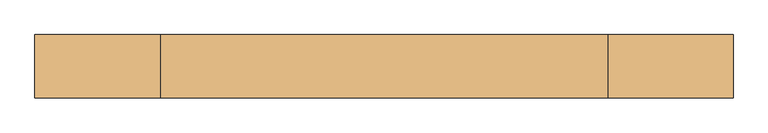
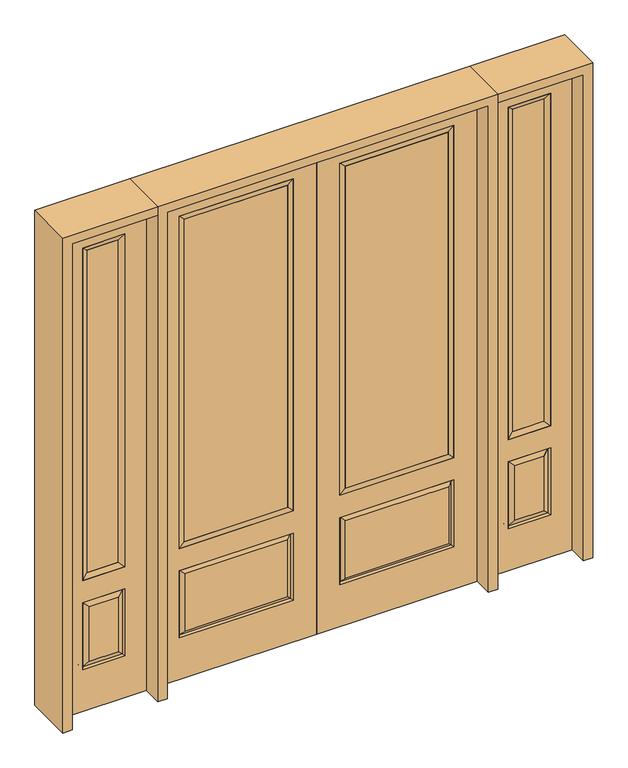
"""IFC4 building model written with IfcOpenShell, lengths in millimetres: door geometry."""

from ifc_helpers import new_model, si_unit, frame, origin, place, context, project, spatial, polyline, outline, extrude, faceted_brep, source, transform, mapped, element, save


def door_ce4f6e89(model_context):
    return source(origin(), model_context, "Body", "SolidModel", [
        extrude(outline(polyline([(136.525, -20.32), (136.525, 5.08), (625.475, 5.08), (625.475, -20.32), (136.525, -20.32)])), frame((0.0, 0.0, 682.498), z_axis=(0.0, 0.0, 1.0), x_axis=(1.0, 0.0, 0.0)), (0.0, 0.0, 1.0), 1616.202),
        faceted_brep([(643.7661499, -12.7912373, 216.6588501), (626.26875, -22.225, 234.15625), (135.73125, -22.225, 234.15625), (118.2338501, -12.7912373, 216.6588501), (111.125, -22.225, 209.55), (650.875, -22.225, 209.55), (650.875, -22.225, 546.1), (643.7661499, -12.7912373, 538.9911499), (0.0, -22.225, 2438.4), (0.0, -22.225, 0.0), (762.0, -22.225, 0.0), (762.0, -22.225, 2438.4), (111.125, -22.225, 546.1), (111.125, -22.225, 2324.1), (650.875, -22.225, 2324.1), (650.875, -22.225, 657.098), (111.125, -22.225, 657.098), (626.26875, -22.225, 521.49375), (135.73125, -22.225, 521.49375), (118.2338501, -12.7912373, 538.9911499), (762.0, 22.225, 0.0), (762.0, 22.225, 2438.4), (0.0, 22.225, 0.0), (0.0, 22.225, 2438.4), (111.125, 22.225, 657.098), (111.125, 22.225, 2324.1), (650.875, 22.225, 657.098), (650.875, 22.225, 2324.1), (135.73125, 22.225, 234.15625), (135.73125, 22.225, 521.49375), (626.26875, 22.225, 521.49375), (626.26875, 22.225, 234.15625), (650.875, 22.225, 209.55), (650.875, 22.225, 546.1), (111.125, 22.225, 546.1), (111.125, 22.225, 209.55), (118.2338501, 12.7912373, 216.6588501), (643.7661499, 12.7912373, 216.6588501), (118.2338501, 12.7912373, 538.9911499), (643.7661499, 12.7912373, 538.9911499)], [[[0, 1, 2, 3]], [[3, 4, 5, 0]], [[5, 6, 7, 0]], [[8, 9, 10, 11], [4, 12, 6, 5], [13, 14, 15, 16]], [[1, 17, 18, 2]], [[3, 19, 12, 4]], [[2, 18, 19, 3]], [[0, 7, 17, 1]], [[6, 12, 19, 7]], [[7, 19, 18, 17]], [[10, 20, 21, 11]], [[9, 22, 20, 10]], [[8, 23, 22, 9]], [[16, 24, 25, 13]], [[15, 26, 24, 16]], [[14, 27, 26, 15]], [[28, 29, 30, 31]], [[23, 21, 20, 22], [25, 24, 26, 27], [32, 33, 34, 35]], [[32, 35, 36, 37]], [[35, 34, 38, 36]], [[39, 38, 34, 33]], [[37, 39, 33, 32]], [[36, 28, 31, 37]], [[31, 30, 39, 37]], [[30, 29, 38, 39]], [[36, 38, 29, 28]], [[11, 21, 23, 8]], [[13, 25, 27, 14]]]),
        faceted_brep([(650.875, -22.225, 2324.1), (650.875, -22.225, 657.098), (650.875, 22.225, 657.098), (650.875, 22.225, 2324.1), (111.125, -22.225, 657.098), (111.125, 22.225, 657.098), (136.525, 5.08, 682.498), (625.475, 5.08, 682.498), (111.125, -22.225, 2324.1), (111.125, 22.225, 2324.1), (625.475, -20.32, 682.498), (136.525, -20.32, 682.498), (625.475, -20.32, 2298.7), (136.525, -20.32, 2298.7), (625.475, 5.08, 2298.7), (136.525, 5.08, 2298.7)], [[[0, 1, 2, 3]], [[1, 4, 5, 2]], [[2, 5, 6, 7]], [[4, 8, 9, 5]], [[10, 11, 4, 1]], [[12, 10, 1, 0]], [[11, 13, 8, 4]], [[7, 6, 11, 10]], [[14, 7, 10, 12]], [[6, 15, 13, 11]], [[3, 2, 7, 14]], [[5, 9, 15, 6]], [[8, 0, 3, 9]], [[13, 12, 0, 8]], [[15, 14, 12, 13]], [[9, 3, 14, 15]]]),
        faceted_brep([(806.45, -22.225, 0.0), (1212.85, -22.225, 0.0), (1212.85, -22.225, 2438.4), (806.45, -22.225, 2438.4), (1109.98, -22.225, 2325.624), (1109.98, -22.225, 657.098), (909.32, -22.225, 657.098), (909.32, -22.225, 2325.624), (1109.98, -22.225, 209.55), (909.32, -22.225, 209.55), (909.32, -22.225, 546.1), (1109.98, -22.225, 546.1), (941.0351001, -22.225, 241.2651001), (1078.2648999, -22.225, 241.2651001), (1078.2648999, -22.225, 514.3848999), (941.0351001, -22.225, 514.3848999), (806.45, 22.225, 0.0), (806.45, 22.225, 2438.4), (1212.85, 22.225, 2438.4), (1212.85, 22.225, 0.0), (1109.98, 22.225, 2325.624), (909.32, 22.225, 2325.624), (909.32, 22.225, 657.098), (1109.98, 22.225, 657.098), (909.32, 22.225, 209.55), (1109.98, 22.225, 209.55), (1109.98, 22.225, 546.1), (909.32, 22.225, 546.1), (1078.2648999, 22.225, 241.2651001), (941.0351001, 22.225, 241.2651001), (941.0351001, 22.225, 514.3848999), (1078.2648999, 22.225, 514.3848999), (1102.8711499, 12.7912373, 216.6588501), (916.4288501, 12.7912373, 216.6588501), (916.4288501, 12.7912373, 538.9911499), (1102.8711499, 12.7912373, 538.9911499), (916.4288501, -12.7912373, 216.6588501), (1102.8711499, -12.7912373, 216.6588501), (916.4288501, -12.7912373, 538.9911499), (1102.8711499, -12.7912373, 538.9911499)], [[[0, 1, 2, 3], [4, 5, 6, 7], [8, 9, 10, 11]], [[12, 13, 14, 15]], [[16, 17, 18, 19], [20, 21, 22, 23], [24, 25, 26, 27]], [[28, 29, 30, 31]], [[1, 0, 16, 19]], [[2, 1, 19, 18]], [[3, 2, 18, 17]], [[0, 3, 17, 16]], [[5, 4, 20, 23]], [[6, 5, 23, 22]], [[7, 6, 22, 21]], [[4, 7, 21, 20]], [[32, 33, 29, 28]], [[33, 32, 25, 24]], [[29, 33, 34, 30]], [[33, 24, 27, 34]], [[30, 34, 35, 31]], [[34, 27, 26, 35]], [[32, 28, 31, 35]], [[25, 32, 35, 26]], [[12, 36, 37, 13]], [[37, 36, 9, 8]], [[36, 12, 15, 38]], [[9, 36, 38, 10]], [[38, 15, 14, 39]], [[10, 38, 39, 11]], [[13, 37, 39, 14]], [[37, 8, 11, 39]]]),
        faceted_brep([(909.32, 22.225, 2325.624), (909.32, -22.225, 2325.624), (1109.98, -22.225, 2325.624), (1109.98, 22.225, 2325.624), (934.72, 12.7, 2300.224), (1084.58, 12.7, 2300.224), (934.72, -12.7, 2300.224), (1084.58, -12.7, 2300.224), (1109.98, -22.225, 657.098), (1109.98, 22.225, 657.098), (1084.58, 12.7, 682.498), (1084.58, -12.7, 682.498), (909.32, -22.225, 657.098), (909.32, 22.225, 657.098), (934.72, 12.7, 682.498), (934.72, -12.7, 682.498)], [[[0, 1, 2, 3]], [[4, 0, 3, 5]], [[6, 4, 5, 7]], [[1, 6, 7, 2]], [[3, 2, 8, 9]], [[5, 3, 9, 10]], [[7, 5, 10, 11]], [[2, 7, 11, 8]], [[9, 8, 12, 13]], [[10, 9, 13, 14]], [[11, 10, 14, 15]], [[8, 11, 15, 12]], [[13, 12, 1, 0]], [[14, 13, 0, 4]], [[15, 14, 4, 6]], [[12, 15, 6, 1]]]),
        extrude(outline(polyline([(1084.58, -12.7), (934.72, -12.7), (934.72, 12.7), (1084.58, 12.7), (1084.58, -12.7)])), frame((0.0, 0.0, 682.498), z_axis=(0.0, 0.0, 1.0), x_axis=(1.0, 0.0, 0.0)), (0.0, 0.0, 1.0), 1617.726),
        faceted_brep([(-1212.85, -22.225, 0.0), (-806.45, -22.225, 0.0), (-806.45, -22.225, 2438.4), (-1212.85, -22.225, 2438.4), (-909.32, -22.225, 2325.624), (-909.32, -22.225, 657.098), (-1109.98, -22.225, 657.098), (-1109.98, -22.225, 2325.624), (-909.32, -22.225, 209.55), (-1109.98, -22.225, 209.55), (-1109.98, -22.225, 546.1), (-909.32, -22.225, 546.1), (-1078.2648999, -22.225, 241.2651001), (-941.0351001, -22.225, 241.2651001), (-941.0351001, -22.225, 514.3848999), (-1078.2648999, -22.225, 514.3848999), (-1212.85, 22.225, 0.0), (-1212.85, 22.225, 2438.4), (-806.45, 22.225, 2438.4), (-806.45, 22.225, 0.0), (-909.32, 22.225, 2325.624), (-1109.98, 22.225, 2325.624), (-1109.98, 22.225, 657.098), (-909.32, 22.225, 657.098), (-1109.98, 22.225, 209.55), (-909.32, 22.225, 209.55), (-909.32, 22.225, 546.1), (-1109.98, 22.225, 546.1), (-941.0351001, 22.225, 241.2651001), (-1078.2648999, 22.225, 241.2651001), (-1078.2648999, 22.225, 514.3848999), (-941.0351001, 22.225, 514.3848999), (-916.4288501, 12.7912373, 216.6588501), (-1102.8711499, 12.7912373, 216.6588501), (-1102.8711499, 12.7912373, 538.9911499), (-916.4288501, 12.7912373, 538.9911499), (-1102.8711499, -12.7912373, 216.6588501), (-916.4288501, -12.7912373, 216.6588501), (-1102.8711499, -12.7912373, 538.9911499), (-916.4288501, -12.7912373, 538.9911499)], [[[0, 1, 2, 3], [4, 5, 6, 7], [8, 9, 10, 11]], [[12, 13, 14, 15]], [[16, 17, 18, 19], [20, 21, 22, 23], [24, 25, 26, 27]], [[28, 29, 30, 31]], [[1, 0, 16, 19]], [[2, 1, 19, 18]], [[3, 2, 18, 17]], [[0, 3, 17, 16]], [[5, 4, 20, 23]], [[6, 5, 23, 22]], [[7, 6, 22, 21]], [[4, 7, 21, 20]], [[32, 33, 29, 28]], [[33, 32, 25, 24]], [[29, 33, 34, 30]], [[33, 24, 27, 34]], [[30, 34, 35, 31]], [[34, 27, 26, 35]], [[32, 28, 31, 35]], [[25, 32, 35, 26]], [[12, 36, 37, 13]], [[37, 36, 9, 8]], [[36, 12, 15, 38]], [[9, 36, 38, 10]], [[38, 15, 14, 39]], [[10, 38, 39, 11]], [[13, 37, 39, 14]], [[37, 8, 11, 39]]]),
        faceted_brep([(-1109.98, 22.225, 2325.624), (-1109.98, -22.225, 2325.624), (-909.32, -22.225, 2325.624), (-909.32, 22.225, 2325.624), (-1084.58, 12.7, 2300.224), (-934.72, 12.7, 2300.224), (-1084.58, -12.7, 2300.224), (-934.72, -12.7, 2300.224), (-909.32, -22.225, 657.098), (-909.32, 22.225, 657.098), (-934.72, 12.7, 682.498), (-934.72, -12.7, 682.498), (-1109.98, -22.225, 657.098), (-1109.98, 22.225, 657.098), (-1084.58, 12.7, 682.498), (-1084.58, -12.7, 682.498)], [[[0, 1, 2, 3]], [[4, 0, 3, 5]], [[6, 4, 5, 7]], [[1, 6, 7, 2]], [[3, 2, 8, 9]], [[5, 3, 9, 10]], [[7, 5, 10, 11]], [[2, 7, 11, 8]], [[9, 8, 12, 13]], [[10, 9, 13, 14]], [[11, 10, 14, 15]], [[8, 11, 15, 12]], [[13, 12, 1, 0]], [[14, 13, 0, 4]], [[15, 14, 4, 6]], [[12, 15, 6, 1]]]),
        extrude(outline(polyline([(-934.72, -12.7), (-1084.58, -12.7), (-1084.58, 12.7), (-934.72, 12.7), (-934.72, -12.7)])), frame((0.0, 0.0, 682.498), z_axis=(0.0, 0.0, 1.0), x_axis=(1.0, 0.0, 0.0)), (0.0, 0.0, 1.0), 1617.726),
        extrude(outline(polyline([(-136.525, -20.32), (-625.475, -20.32), (-625.475, 5.08), (-136.525, 5.08), (-136.525, -20.32)])), frame((0.0, 0.0, 682.498), z_axis=(0.0, 0.0, 1.0), x_axis=(1.0, 0.0, 0.0)), (0.0, 0.0, 1.0), 1616.202),
        faceted_brep([(-643.7661499, -12.7912373, 216.6588501), (-118.2338501, -12.7912373, 216.6588501), (-135.73125, -22.225, 234.15625), (-626.26875, -22.225, 234.15625), (-650.875, -22.225, 209.55), (-111.125, -22.225, 209.55), (-643.7661499, -12.7912373, 538.9911499), (-650.875, -22.225, 546.1), (-135.73125, -22.225, 521.49375), (-626.26875, -22.225, 521.49375), (0.0, -22.225, 2438.4), (-762.0, -22.225, 2438.4), (-762.0, -22.225, 0.0), (0.0, -22.225, 0.0), (-111.125, -22.225, 546.1), (-111.125, -22.225, 2324.1), (-111.125, -22.225, 657.098), (-650.875, -22.225, 657.098), (-650.875, -22.225, 2324.1), (-118.2338501, -12.7912373, 538.9911499), (-762.0, 22.225, 2438.4), (-762.0, 22.225, 0.0), (0.0, 22.225, 0.0), (0.0, 22.225, 2438.4), (-111.125, 22.225, 2324.1), (-111.125, 22.225, 657.098), (-650.875, 22.225, 657.098), (-650.875, 22.225, 2324.1), (-650.875, 22.225, 209.55), (-111.125, 22.225, 209.55), (-111.125, 22.225, 546.1), (-650.875, 22.225, 546.1), (-135.73125, 22.225, 234.15625), (-626.26875, 22.225, 234.15625), (-626.26875, 22.225, 521.49375), (-135.73125, 22.225, 521.49375), (-643.7661499, 12.7912373, 216.6588501), (-118.2338501, 12.7912373, 216.6588501), (-118.2338501, 12.7912373, 538.9911499), (-643.7661499, 12.7912373, 538.9911499)], [[[0, 1, 2, 3]], [[1, 0, 4, 5]], [[4, 0, 6, 7]], [[3, 2, 8, 9]], [[10, 11, 12, 13], [5, 4, 7, 14], [15, 16, 17, 18]], [[1, 5, 14, 19]], [[2, 1, 19, 8]], [[0, 3, 9, 6]], [[7, 6, 19, 14]], [[6, 9, 8, 19]], [[12, 11, 20, 21]], [[13, 12, 21, 22]], [[10, 13, 22, 23]], [[16, 15, 24, 25]], [[17, 16, 25, 26]], [[18, 17, 26, 27]], [[23, 22, 21, 20], [28, 29, 30, 31], [24, 27, 26, 25]], [[32, 33, 34, 35]], [[28, 36, 37, 29]], [[29, 37, 38, 30]], [[39, 31, 30, 38]], [[36, 28, 31, 39]], [[37, 36, 33, 32]], [[33, 36, 39, 34]], [[34, 39, 38, 35]], [[37, 32, 35, 38]], [[11, 10, 23, 20]], [[15, 18, 27, 24]]]),
        faceted_brep([(-650.875, -22.225, 2324.1), (-650.875, 22.225, 2324.1), (-650.875, 22.225, 657.098), (-650.875, -22.225, 657.098), (-111.125, 22.225, 657.098), (-111.125, -22.225, 657.098), (-625.475, 5.08, 682.498), (-136.525, 5.08, 682.498), (-111.125, 22.225, 2324.1), (-111.125, -22.225, 2324.1), (-625.475, -20.32, 682.498), (-136.525, -20.32, 682.498), (-625.475, -20.32, 2298.7), (-136.525, -20.32, 2298.7), (-625.475, 5.08, 2298.7), (-136.525, 5.08, 2298.7)], [[[0, 1, 2, 3]], [[3, 2, 4, 5]], [[2, 6, 7, 4]], [[5, 4, 8, 9]], [[10, 3, 5, 11]], [[12, 0, 3, 10]], [[11, 5, 9, 13]], [[6, 10, 11, 7]], [[14, 12, 10, 6]], [[7, 11, 13, 15]], [[1, 14, 6, 2]], [[4, 7, 15, 8]], [[9, 8, 1, 0]], [[13, 9, 0, 12]], [[15, 13, 12, 14]], [[8, 15, 14, 1]]]),
        extrude(outline(polyline([(2438.4, -806.45), (2482.85, -806.45), (2482.85, -1257.3), (0.0, -1257.3), (0.0, -1212.85), (2438.4, -1212.85), (2438.4, -806.45)])), frame((0.0, -114.3, 0.0), z_axis=(0.0, 1.0, 0.0), x_axis=(0.0, 0.0, 1.0)), (0.0, 0.0, 1.0), 228.6),
        extrude(outline(polyline([(2482.85, -806.45), (0.0, -806.45), (0.0, -762.0), (2438.4, -762.0), (2438.4, 762.0), (0.0, 762.0), (0.0, 806.45), (2482.85, 806.45), (2482.85, -806.45)])), frame((0.0, -114.3, 0.0), z_axis=(0.0, 1.0, 0.0), x_axis=(0.0, 0.0, 1.0)), (0.0, 0.0, 1.0), 228.6),
        extrude(outline(polyline([(0.0, 1212.85), (0.0, 1257.3), (2482.85, 1257.3), (2482.85, 806.45), (2438.4, 806.45), (2438.4, 1212.85), (0.0, 1212.85)])), frame((0.0, -114.3, 0.0), z_axis=(0.0, 1.0, 0.0), x_axis=(0.0, 0.0, 1.0)), (0.0, 0.0, 1.0), 228.6),
    ])


if __name__ == "__main__":
    model = new_model("IFC4")
    model_context = context("Model", 3, world=origin())
    ifc_project = project(units=[si_unit("LENGTHUNIT", "METRE", prefix="MILLI")], contexts=[model_context])
    site = spatial("IfcSite", under=ifc_project)
    building = spatial("IfcBuilding", under=site)
    placement = place(None, origin())
    door_shape = door_ce4f6e89(model_context)
    element("IfcDoor", 1, at=placement, inside=building, context=model_context, shape_type="MappedRepresentation", body=[
        mapped(door_shape, transform((0.0, 0.0, 0.0), x_axis=(1.0, 0.0, 0.0), y_axis=(0.0, 1.0, 0.0), z_axis=(0.0, 0.0, 1.0))),
    ])
    save(model, "model.ifc")
